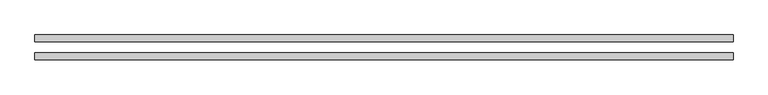
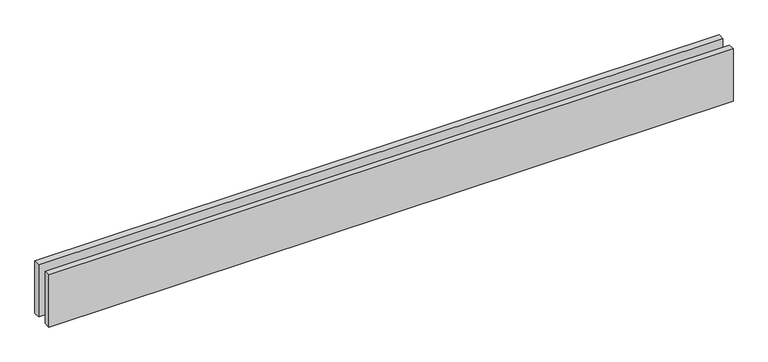
"""IFC4 building model written with IfcOpenShell, lengths in millimetres: proxy geometry."""

from ifc_helpers import new_model, si_unit, origin, origin_with_axes, place, context, project, spatial, polyline, outline, extrude, source, transform, mapped, element, save


def generic_models_1a51b2e4(model_context):
    return source(origin(), model_context, "Body", "SweptSolid", [
        extrude(outline(polyline([(3101.0173055, 25.0), (0.0, 25.0), (0.0, 55.0), (3101.0173055, 55.0), (3101.0173055, 25.0)])), origin_with_axes(), (0.0, 0.0, 1.0), 250.0),
        extrude(outline(polyline([(3101.0173055, -55.0), (0.0, -55.0), (0.0, -25.0), (3101.0173055, -25.0), (3101.0173055, -55.0)])), origin_with_axes(), (0.0, 0.0, 1.0), 250.0),
    ])


if __name__ == "__main__":
    model = new_model("IFC4")
    model_context = context("Model", 3, world=origin())
    ifc_project = project(units=[si_unit("LENGTHUNIT", "METRE", prefix="MILLI")], contexts=[model_context])
    site = spatial("IfcSite", under=ifc_project)
    building = spatial("IfcBuilding", under=site)
    placement = place(None, origin())
    generic_models_shape = generic_models_1a51b2e4(model_context)
    element("IfcBuildingElementProxy", 1, Name="Generic Models", at=placement, inside=building, context=model_context, shape_type="MappedRepresentation", body=[
        mapped(generic_models_shape, transform((0.0, 0.0, 0.0), x_axis=(1.0, 0.0, 0.0), y_axis=(0.0, 1.0, 0.0), z_axis=(0.0, 0.0, 1.0))),
    ])
    save(model, "model.ifc")
